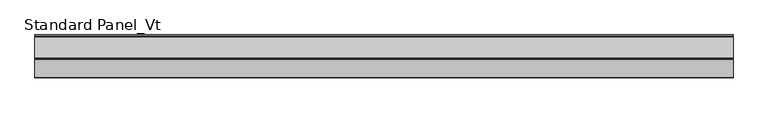
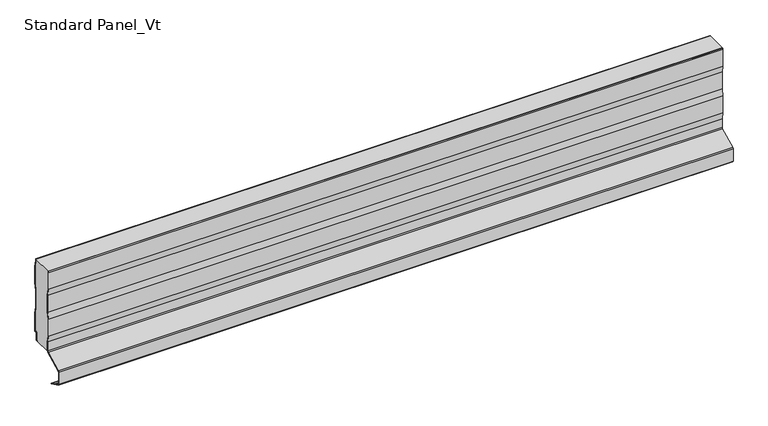
"""IFC4 building model written with IfcOpenShell, lengths in millimetres: proxy geometry, Standard Panel_Vt."""

from ifc_helpers import new_model, si_unit, point, frame, frame_2d, origin, place, context, project, spatial, polyline, circle_curve, trimmed, segment, composite_curve, outline, extrude, source, transform, mapped, element, save
from ifc_brep_helpers import plane_surface, cylinder_surface, revolved_surface, advanced_brep


def standard_panel_vt_dadc3f31(model_context):
    return source(origin(), model_context, "Body", "SolidModel", [
        extrude(outline(composite_curve([segment(polyline([(-50.0, 216.59102), (-49.6446991, 218.7), (-48.8334256, 218.7), (-49.2, 216.5241033), (-49.2, 178.448892), (-46.7, 163.6094989), (-46.7, 125.3634964), (-49.2, 110.5241033), (-49.2, 72.448892), (-46.7, 57.6094989), (-46.7, 37.3959608)]), True, "CONTINUOUS"), segment(trimmed(circle_curve(frame_2d((-49.8, 37.3959608)), 3.1), [point((-46.7, 37.3959608))], [point((-48.4162325, 34.6219407))], False, "CARTESIAN"), True, "CONTINUOUS"), segment(polyline([(-48.4162325, 34.6219407), (-86.910808, 15.419649)]), True, "CONTINUOUS"), segment(trimmed(circle_curve(frame_2d((-86.241243, 14.0773812)), 1.5), [point((-86.910808, 15.419649))], [point((-87.741243, 14.0773812))], True, "CARTESIAN"), True, "CONTINUOUS"), segment(polyline([(-87.741243, 14.0773812), (-87.741243, -14.0773812)]), True, "CONTINUOUS"), segment(trimmed(circle_curve(frame_2d((-86.241243, -14.0773812)), 1.5), [point((-87.741243, -14.0773812))], [point((-86.9113932, -15.4193569))], True, "CARTESIAN"), True, "CONTINUOUS"), segment(polyline([(-86.9113932, -15.4193569), (-74.7640727, -21.4854346), (-74.4066593, -20.7697142), (-61.7026227, -27.1138024)]), True, "CONTINUOUS"), segment(trimmed(circle_curve(frame_2d((-62.0600361, -27.8295227)), 0.8), [point((-61.7026227, -27.1138024))], [point((-62.4174495, -28.5452431))], False, "CARTESIAN"), True, "CONTINUOUS"), segment(polyline([(-62.4174495, -28.5452431), (-87.2688066, -16.1350773)]), True, "CONTINUOUS"), segment(trimmed(circle_curve(frame_2d((-86.241243, -14.0773812)), 2.3), [point((-87.2688066, -16.1350773))], [point((-88.541243, -14.0773812))], False, "CARTESIAN"), True, "CONTINUOUS"), segment(polyline([(-88.541243, -14.0773812), (-88.541243, 14.0773812)]), True, "CONTINUOUS"), segment(trimmed(circle_curve(frame_2d((-86.241243, 14.0773812)), 2.3), [point((-88.541243, 14.0773812))], [point((-87.2679093, 16.1355252))], False, "CARTESIAN"), True, "CONTINUOUS"), segment(polyline([(-87.2679093, 16.1355252), (-48.7733338, 35.3378168)]), True, "CONTINUOUS"), segment(trimmed(circle_curve(frame_2d((-49.8, 37.3959608)), 2.3), [point((-48.7733338, 35.3378168))], [point((-47.5, 37.3959608))], True, "CARTESIAN"), True, "CONTINUOUS"), segment(polyline([(-47.5, 37.3959608), (-47.5, 57.5425822), (-50.0, 72.3819753), (-50.0, 110.59102), (-47.5, 125.4304131), (-47.5, 163.5425822), (-50.0, 178.3819753), (-50.0, 216.59102)]), True, "CONTINUOUS")], self_intersect=False)), frame((-723.9042608, 0.0, 0.0), z_axis=(1.0, 0.0, 0.0), x_axis=(0.0, 1.0, 0.0)), (0.0, 0.0, 1.0), 1447.8085217),
        extrude(outline(composite_curve([segment(polyline([(-3.3, 215.5071471), (-3.3, 218.7), (-2.5, 218.7), (-2.5, 215.5733571), (0.0, 200.5733571), (0.0, 162.5733571), (-2.5, 147.5733571), (-2.5, 109.5733571), (0.0, 94.5733571), (0.0, 53.7672219)]), True, "CONTINUOUS"), segment(trimmed(circle_curve(frame_2d((-1.0, 53.7672219)), 1.0), [point((0.0, 53.7672219))], [point((-1.5443119, 52.928339))], False, "CARTESIAN"), True, "CONTINUOUS"), segment(polyline([(-1.5443119, 52.928339), (-3.7558601, 54.3633094)]), True, "CONTINUOUS"), segment(trimmed(circle_curve(frame_2d((-4.3001721, 53.5244265)), 1.0), [point((-3.7558601, 54.3633094))], [point((-5.3001721, 53.5244265))], True, "CARTESIAN"), True, "CONTINUOUS"), segment(polyline([(-5.3001721, 53.5244265), (-5.3001721, 37.9383564)]), True, "CONTINUOUS"), segment(trimmed(circle_curve(frame_2d((-7.4001714, 37.9383564)), 2.0999993), [point((-5.3001721, 37.9383564))], [point((-7.4001714, 35.8383571))], False, "CARTESIAN"), True, "CONTINUOUS"), segment(polyline([(-7.4001714, 35.8383571), (-9.4001722, 35.8383571), (-9.4001722, 36.6383571), (-7.4001714, 36.6383571)]), True, "CONTINUOUS"), segment(trimmed(circle_curve(frame_2d((-7.4001714, 37.9383564)), 1.2999993), [point((-7.4001714, 36.6383571))], [point((-6.1001721, 37.9383564))], True, "CARTESIAN"), True, "CONTINUOUS"), segment(polyline([(-6.1001721, 37.9383564), (-6.1001721, 53.5244265)]), True, "CONTINUOUS"), segment(trimmed(circle_curve(frame_2d((-4.3001721, 53.5244265)), 1.8), [point((-6.1001721, 53.5244265))], [point((-3.3204106, 55.0344157))], False, "CARTESIAN"), True, "CONTINUOUS"), segment(polyline([(-3.3204106, 55.0344157), (-0.8, 53.3990389), (-0.8, 94.5071471), (-3.3, 109.5071471), (-3.3, 147.6395671), (-0.8, 162.6395671), (-0.8, 200.5071471), (-3.3, 215.5071471)]), True, "CONTINUOUS")], self_intersect=False)), frame((-723.9042608, 0.0, 0.0), z_axis=(1.0, 0.0, 0.0), x_axis=(0.0, 1.0, 0.0)), (0.0, 0.0, 1.0), 1447.8085217),
        advanced_brep(
        [(-723.9042608, -49.2, 216.5241033), (-723.9042608, -48.8334256, 218.7), (-723.9042608, -3.3, 218.7), (-723.9042608, -3.3, 215.5071471), (-723.9042608, -0.8, 200.5071471), (-723.9042608, -0.8, 162.6395671), (-723.9042608, -3.3, 147.6395671), (-723.9042608, -3.3, 109.5071471), (-723.9042608, -0.8, 94.5071471), (-723.9042608, -0.8, 53.3990389), (-723.9042608, -3.3204106, 55.0344157), (-723.9042608, -6.1001721, 53.5244265), (-723.9042608, -6.1001721, 37.9383564), (-723.9042608, -7.4001714, 36.6383571), (-723.9042608, -9.4001722, 36.6383571), (-723.9042608, -9.4001722, 35.8), (-723.9042608, -47.1622719, 35.7673446), (-723.9042608, -46.7, 37.3959608), (-723.9042608, -46.7, 57.6094989), (-723.9042608, -49.2, 72.448892), (-723.9042608, -49.2, 110.5241033), (-723.9042608, -46.7, 125.3634964), (-723.9042608, -46.7, 163.6094989), (-723.9042608, -49.2, 178.448892), (723.9042608, -47.1622719, 35.7673446), (723.9042608, -9.4001722, 35.8), (723.9042608, -9.4001722, 36.6383571), (723.9042608, -7.4001714, 36.6383571), (723.9042608, -6.1001721, 37.9383564), (723.9042608, -6.1001721, 53.5244265), (723.9042608, -3.3204106, 55.0344157), (723.9042608, -0.8, 53.3990389), (723.9042608, -0.8, 94.5071471), (723.9042608, -3.3, 109.5071471), (723.9042608, -3.3, 147.6395671), (723.9042608, -0.8, 162.6395671), (723.9042608, -0.8, 200.5071471), (723.9042608, -3.3, 215.5071471), (723.9042608, -3.3, 218.7), (723.9042608, -48.8334256, 218.7), (723.9042608, -49.2, 216.5241033), (723.9042608, -49.2, 178.448892), (723.9042608, -46.7, 163.6094989), (723.9042608, -46.7, 125.3634964), (723.9042608, -49.2, 110.5241033), (723.9042608, -49.2, 72.448892), (723.9042608, -46.7, 57.6094989), (723.9042608, -46.7, 37.3959608)],
        [
            (0, 1),
            (1, 2),
            (2, 3),
            (3, 4),
            (4, 5),
            (5, 6),
            (6, 7),
            (7, 8),
            (8, 9),
            (9, 10),
            (10, 11, circle_curve(frame((-723.9042608, -4.3001721, 53.5244265), z_axis=(1.0, 0.0, 0.0), x_axis=(0.0, 0.0, 1.0)), 1.8)),
            (11, 12),
            (12, 13, circle_curve(frame((-723.9042608, -7.4001714, 37.9383564), z_axis=(-1.0, 0.0, 0.0), x_axis=(0.0, 0.0, 1.0)), 1.2999993)),
            (13, 14),
            (14, 15),
            (15, 16),
            (16, 17, circle_curve(frame((-723.9042608, -49.8, 37.3959608), z_axis=(1.0, 0.0, 0.0), x_axis=(0.0, 0.0, 1.0)), 3.1)),
            (17, 18),
            (18, 19),
            (19, 20),
            (20, 21),
            (21, 22),
            (22, 23),
            (23, 0),
            (24, 25),
            (25, 26),
            (26, 27),
            (27, 28, circle_curve(frame((723.9042608, -7.4001714, 37.9383564), z_axis=(1.0, 0.0, 0.0), x_axis=(0.0, 0.0, 1.0)), 1.2999993)),
            (28, 29),
            (29, 30, circle_curve(frame((723.9042608, -4.3001721, 53.5244265), z_axis=(-1.0, 0.0, 0.0), x_axis=(0.0, 0.0, 1.0)), 1.8)),
            (30, 31),
            (31, 32),
            (32, 33),
            (33, 34),
            (34, 35),
            (35, 36),
            (36, 37),
            (37, 38),
            (38, 39),
            (39, 40),
            (40, 41),
            (41, 42),
            (42, 43),
            (43, 44),
            (44, 45),
            (45, 46),
            (46, 47),
            (47, 24, circle_curve(frame((723.9042608, -49.8, 37.3959608), z_axis=(-1.0, 0.0, 0.0), x_axis=(0.0, 0.0, 1.0)), 3.1)),
            (15, 25),
            (24, 16),
            (47, 17),
            (46, 18),
            (45, 19),
            (44, 20),
            (43, 21),
            (42, 22),
            (41, 23),
            (40, 0),
            (39, 1),
            (14, 26),
            (2, 38),
            (37, 3),
            (36, 4),
            (35, 5),
            (34, 6),
            (33, 7),
            (32, 8),
            (31, 9),
            (30, 10),
            (29, 11),
            (28, 12),
            (27, 13),
        ],
        [
            plane_surface(frame((-723.9042608, -49.2, 500.0), z_axis=(-1.0, 0.0, 0.0), x_axis=(0.0, 1.0, 0.0))),
            plane_surface(frame((723.9042608, -49.2, 500.0), z_axis=(1.0, 0.0, 0.0), x_axis=(0.0, 1.0, 0.0))),
            plane_surface(frame((-723.9042608, -47.1622719, 35.7673446), z_axis=(0.0, 0.0, -1.0), x_axis=(1.0, 0.0, 0.0))),
            revolved_surface(polyline([(723.9042608, -49.8, 40.4959608), (-723.9042608, -49.8, 40.4959608)]), (-723.9042608, -49.8, 37.3959608), (1.0, 0.0, 0.0)),
            plane_surface(frame((-723.9042608, -46.7, 57.6094989), z_axis=(0.0, -1.0, 0.0), x_axis=(1.0, 0.0, 0.0))),
            plane_surface(frame((-723.9042608, -49.2, 72.448892), z_axis=(0.0, -0.9861039564577467, -0.16612942863435845), x_axis=(1.0, 0.0, 0.0))),
            plane_surface(frame((-723.9042608, -49.2, 110.5241033), z_axis=(0.0, -1.0, 0.0), x_axis=(1.0, 0.0, 0.0))),
            plane_surface(frame((-723.9042608, -46.7, 125.3634964), z_axis=(0.0, -0.9861039564577161, 0.1661294286345407), x_axis=(1.0, 0.0, 0.0))),
            plane_surface(frame((-723.9042608, -46.7, 163.6094989), z_axis=(0.0, -1.0, 0.0), x_axis=(1.0, 0.0, 0.0))),
            plane_surface(frame((-723.9042608, -49.2, 178.448892), z_axis=(0.0, -0.986103956457719, -0.16612942863452348), x_axis=(1.0, 0.0, 0.0))),
            plane_surface(frame((-723.9042608, -49.2, 216.5241033), z_axis=(0.0, -1.0, 0.0), x_axis=(1.0, 0.0, 0.0))),
            plane_surface(frame((-723.9042608, -46.7, 231.3634964), z_axis=(0.0, -0.9861039564577161, 0.1661294286345407), x_axis=(1.0, 0.0, 0.0))),
            plane_surface(frame((723.9042608, -9.4001722, 1035.8), z_axis=(0.0, 1.0, 0.0), x_axis=(-1.0, 0.0, 0.0))),
            plane_surface(frame((-723.9042608, -3.3, 215.5071471), z_axis=(0.0, 1.0, 0.0), x_axis=(1.0, 0.0, 0.0))),
            plane_surface(frame((-723.9042608, -0.8, 200.5071471), z_axis=(0.0, 0.9863939238321462, 0.1643989873053435), x_axis=(1.0, 0.0, 0.0))),
            plane_surface(frame((-723.9042608, -0.8, 162.6395671), z_axis=(0.0, 1.0, 0.0), x_axis=(1.0, 0.0, 0.0))),
            plane_surface(frame((-723.9042608, -3.3, 147.6395671), z_axis=(0.0, 0.9863939238321415, -0.16439898730537109), x_axis=(1.0, 0.0, 0.0))),
            plane_surface(frame((-723.9042608, -3.3, 109.5071471), z_axis=(0.0, 1.0, 0.0), x_axis=(1.0, 0.0, 0.0))),
            plane_surface(frame((-723.9042608, -0.8, 94.5071471), z_axis=(0.0, 0.9863939238321769, 0.16439898730515876), x_axis=(1.0, 0.0, 0.0))),
            plane_surface(frame((-723.9042608, -0.8, 53.3990389), z_axis=(0.0, 1.0, 0.0), x_axis=(1.0, 0.0, 0.0))),
            plane_surface(frame((-723.9042608, -3.3204106, 55.0344157), z_axis=(0.0, -0.5443119480359504, -0.8388828900539747), x_axis=(1.0, 0.0, 0.0))),
            revolved_surface(polyline([(723.9042608, -4.3001721, 55.324426499999994), (-723.9042608, -4.3001721, 55.324426499999994)]), (-723.9042608, -4.3001721, 53.5244265), (1.0, 0.0, 0.0)),
            plane_surface(frame((-723.9042608, -6.1001721, 37.9383564), z_axis=(0.0, 1.0, 0.0), x_axis=(1.0, 0.0, 0.0))),
            cylinder_surface(frame((-723.9042608, -7.4001714, 37.9383564), z_axis=(-1.0, 0.0, 0.0), x_axis=(0.0, 0.0, 1.0)), 1.2999993),
            plane_surface(frame((-723.9042608, -9.4001722, 36.6383571), z_axis=(0.0, 0.0, -1.0), x_axis=(1.0, 0.0, 0.0))),
            plane_surface(frame((723.9042608, 49.2, 218.7), z_axis=(0.0, 0.0, 1.0), x_axis=(-1.0, 0.0, 0.0))),
        ],
        [
            (0, [[1, 2, 3, 4, 5, 6, 7, 8, 9, 10, 11, 12, 13, 14, 15, 16, 17, 18, 19, 20, 21, 22, 23, 24]]),
            (1, [[25, 26, 27, 28, 29, 30, 31, 32, 33, 34, 35, 36, 37, 38, 39, 40, 41, 42, 43, 44, 45, 46, 47, 48]]),
            (2, [[-16, 49, -25, 50]]),
            (3, [[-50, -48, 51, -17]]),
            (4, [[-51, -47, 52, -18]]),
            (5, [[-52, -46, 53, -19]]),
            (6, [[-53, -45, 54, -20]]),
            (7, [[-54, -44, 55, -21]]),
            (8, [[-55, -43, 56, -22]]),
            (9, [[-56, -42, 57, -23]]),
            (10, [[-57, -41, 58, -24]]),
            (11, [[-40, 59, -1, -58]]),
            (12, [[-15, 60, -26, -49]]),
            (13, [[-3, 61, -38, 62]]),
            (14, [[-62, -37, 63, -4]]),
            (15, [[-63, -36, 64, -5]]),
            (16, [[-64, -35, 65, -6]]),
            (17, [[-65, -34, 66, -7]]),
            (18, [[-66, -33, 67, -8]]),
            (19, [[-67, -32, 68, -9]]),
            (20, [[-68, -31, 69, -10]]),
            (21, [[-69, -30, 70, -11]]),
            (22, [[-70, -29, 71, -12]]),
            (23, [[-71, -28, 72, -13]]),
            (24, [[-72, -27, -60, -14]]),
            (25, [[-59, -39, -61, -2]]),
        ],
    ),
    ])


if __name__ == "__main__":
    model = new_model("IFC4")
    model_context = context("Model", 3, world=origin())
    ifc_project = project(units=[si_unit("LENGTHUNIT", "METRE", prefix="MILLI")], contexts=[model_context])
    site = spatial("IfcSite", under=ifc_project)
    building = spatial("IfcBuilding", under=site)
    placement = place(None, origin())
    standard_panel_vt_shape = standard_panel_vt_dadc3f31(model_context)
    element("IfcBuildingElementProxy", 1, Name="Standard Panel_Vt", ObjectType="Standard Panel_Vt", at=placement, inside=building, context=model_context, shape_type="MappedRepresentation", body=[
        mapped(standard_panel_vt_shape, transform((0.0, 0.0, 0.0), x_axis=(1.0, 0.0, 0.0), y_axis=(0.0, 1.0, 0.0), z_axis=(0.0, 0.0, 1.0))),
    ])
    save(model, "model.ifc")
